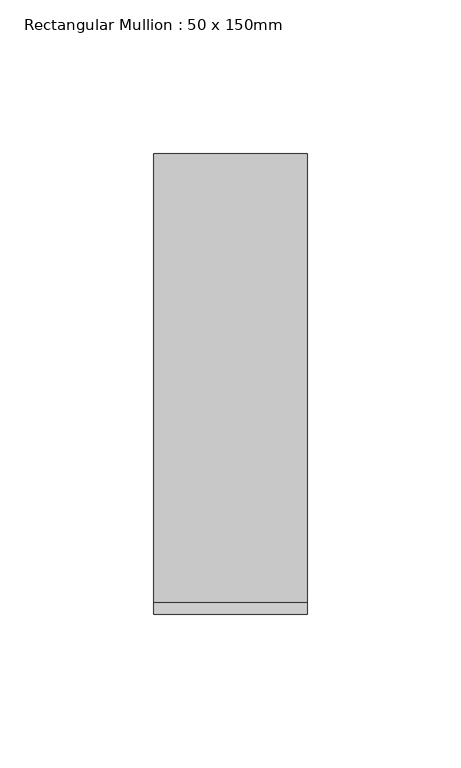
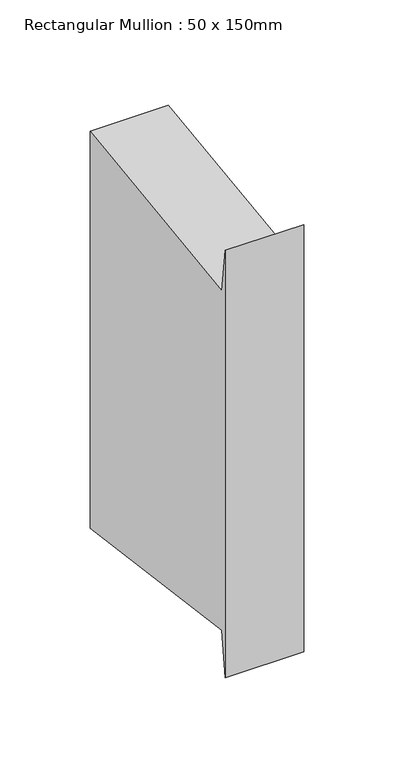
"""IFC4 building model written with IfcOpenShell, lengths in millimetres: member geometry, Rectangular Mullion : 50 x 150mm."""

from ifc_helpers import new_model, si_unit, frame, origin, place, context, project, spatial, polyline, outline, extrude, source, transform, mapped, element, save


def rectangular_mullion_50_x_150mm_e333038c(model_context):
    return source(origin(), model_context, "Body", "SweptSolid", [
        extrude(outline(polyline([(-75.0, 20.0164197), (-71.0328341, -9.7035513), (75.0, 9.7896196), (75.0, -258.9438204), (-71.0328341, -239.4506495), (-75.0, -269.1706206), (-75.0, 20.0164197)])), frame((-25.0, 0.0, 0.0), z_axis=(1.0, 0.0, 0.0), x_axis=(0.0, 1.0, 0.0)), (0.0, 0.0, 1.0), 50.0),
    ])


if __name__ == "__main__":
    model = new_model("IFC4")
    model_context = context("Model", 3, world=origin())
    ifc_project = project(units=[si_unit("LENGTHUNIT", "METRE", prefix="MILLI")], contexts=[model_context])
    site = spatial("IfcSite", under=ifc_project)
    building = spatial("IfcBuilding", under=site)
    placement = place(None, origin())
    rectangular_mullion_50_x_150mm_shape = rectangular_mullion_50_x_150mm_e333038c(model_context)
    element("IfcMember", 1, ObjectType="Rectangular Mullion : 50 x 150mm", at=placement, inside=building, context=model_context, shape_type="MappedRepresentation", body=[
        mapped(rectangular_mullion_50_x_150mm_shape, transform((0.0, 0.0, 0.0), x_axis=(1.0, 0.0, 0.0), y_axis=(0.0, 1.0, 0.0), z_axis=(0.0, 0.0, 1.0))),
    ])
    save(model, "model.ifc")
